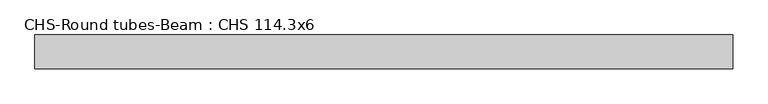
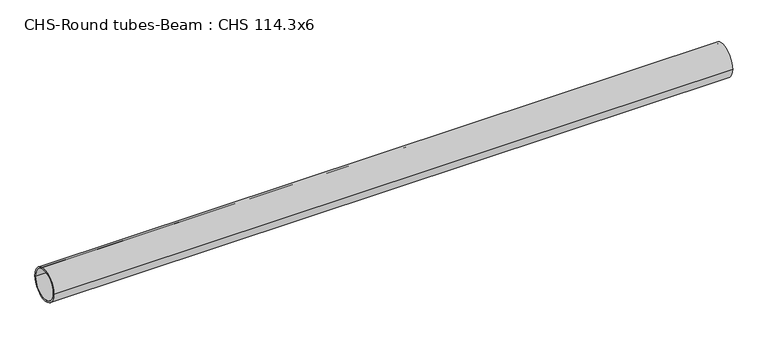
"""IFC4 building model written with IfcOpenShell, lengths in millimetres: beam geometry, CHS-Round tubes-Beam : CHS 114.3x6."""

from ifc_helpers import new_model, si_unit, point, frame, origin, origin_2d, place, context, project, spatial, circle_curve, trimmed, segment, composite_curve, outline, extrude, source, transform, mapped, element, save


def chs_round_tubes_beam_chs_114_3x6_83911bba(model_context):
    return source(origin(), model_context, "Body", "SweptSolid", [
        extrude(outline(composite_curve([segment(trimmed(circle_curve(origin_2d(), 57.15), [point((57.15, 0.0))], [point((-57.15, 0.0))], False, "CARTESIAN"), True, "CONTINUOUS"), segment(trimmed(circle_curve(origin_2d(), 57.15), [point((-57.15, 0.0))], [point((57.15, 0.0))], False, "CARTESIAN"), True, "CONTINUOUS")], self_intersect=False), holes=[composite_curve([segment(trimmed(circle_curve(origin_2d(), 51.15), [point((51.15, 0.0))], [point((-51.15, 0.0))], True, "CARTESIAN"), True, "CONTINUOUS"), segment(trimmed(circle_curve(origin_2d(), 51.15), [point((-51.15, 0.0))], [point((51.15, 0.0))], True, "CARTESIAN"), True, "CONTINUOUS")], self_intersect=False)]), frame((-1142.8081525, 0.0, 0.0), z_axis=(1.0, 0.0, 0.0), x_axis=(0.0, 1.0, 0.0)), (0.0, 0.0, 1.0), 2368.902465),
    ])


if __name__ == "__main__":
    model = new_model("IFC4")
    model_context = context("Model", 3, world=origin())
    ifc_project = project(units=[si_unit("LENGTHUNIT", "METRE", prefix="MILLI")], contexts=[model_context])
    site = spatial("IfcSite", under=ifc_project)
    building = spatial("IfcBuilding", under=site)
    placement = place(None, origin())
    chs_round_tubes_beam_chs_114_3x6_shape = chs_round_tubes_beam_chs_114_3x6_83911bba(model_context)
    element("IfcBeam", 1, ObjectType="CHS-Round tubes-Beam : CHS 114.3x6", at=placement, inside=building, context=model_context, shape_type="MappedRepresentation", body=[
        mapped(chs_round_tubes_beam_chs_114_3x6_shape, transform((0.0, 0.0, 0.0), x_axis=(1.0, 0.0, 0.0), y_axis=(0.0, 1.0, 0.0), z_axis=(0.0, 0.0, 1.0))),
    ])
    save(model, "model.ifc")
